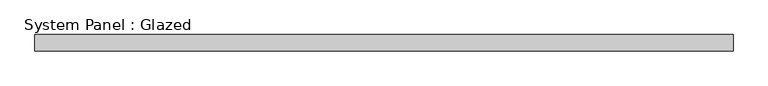
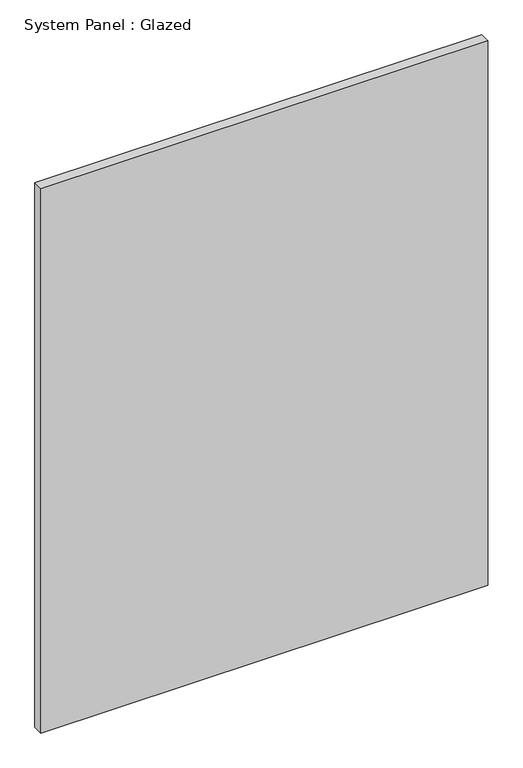
"""IFC4 building model written with IfcOpenShell, lengths in millimetres: plate geometry, System Panel : Glazed."""

from ifc_helpers import new_model, si_unit, origin, origin_with_axes, place, context, project, spatial, polyline, outline, extrude, source, transform, mapped, element, save


def system_panel_glazed_5bc459a1(model_context):
    return source(origin(), model_context, "Body", "SweptSolid", [
        extrude(outline(polyline([(542.2900001, 19.05), (-542.2900001, 19.05), (-542.2900001, 44.45), (542.2900001, 44.45), (542.2900001, 19.05)])), origin_with_axes(), (0.0, 0.0, 1.0), 1397.0),
    ])


if __name__ == "__main__":
    model = new_model("IFC4")
    model_context = context("Model", 3, world=origin())
    ifc_project = project(units=[si_unit("LENGTHUNIT", "METRE", prefix="MILLI")], contexts=[model_context])
    site = spatial("IfcSite", under=ifc_project)
    building = spatial("IfcBuilding", under=site)
    placement = place(None, origin())
    system_panel_glazed_shape = system_panel_glazed_5bc459a1(model_context)
    element("IfcPlate", 1, ObjectType="System Panel : Glazed", at=placement, inside=building, context=model_context, shape_type="MappedRepresentation", body=[
        mapped(system_panel_glazed_shape, transform((0.0, 0.0, 0.0), x_axis=(1.0, 0.0, 0.0), y_axis=(0.0, 1.0, 0.0), z_axis=(0.0, 0.0, 1.0))),
    ])
    save(model, "model.ifc")
